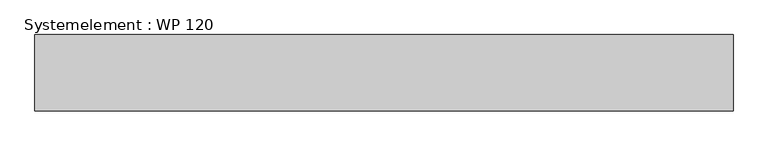
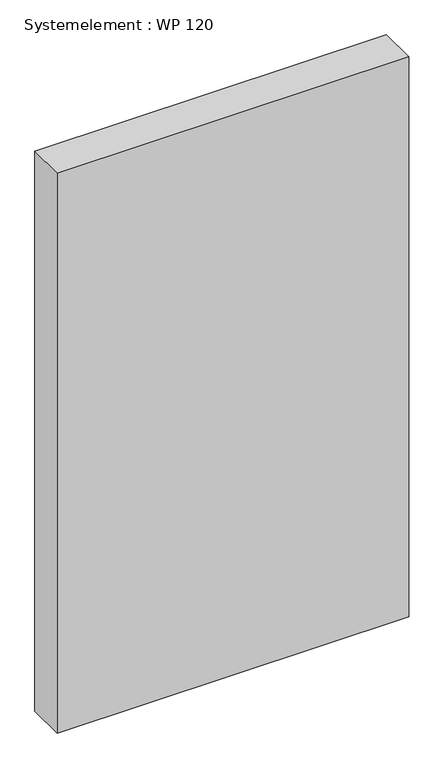
"""IFC4 building model written with IfcOpenShell, lengths in millimetres: plate geometry, Systemelement : WP 120."""

from ifc_helpers import new_model, si_unit, origin, origin_with_axes, place, context, project, spatial, polyline, outline, extrude, source, transform, mapped, element, save


def systemelement_wp_120_279c4a9a(model_context):
    return source(origin(), model_context, "Body", "SweptSolid", [
        extrude(outline(polyline([(550.0, -120.0), (-550.0, -120.0), (-550.0, 0.0), (550.0, 0.0), (550.0, -120.0)])), origin_with_axes(), (0.0, 0.0, 1.0), 1851.6147161),
    ])


if __name__ == "__main__":
    model = new_model("IFC4")
    model_context = context("Model", 3, world=origin())
    ifc_project = project(units=[si_unit("LENGTHUNIT", "METRE", prefix="MILLI")], contexts=[model_context])
    site = spatial("IfcSite", under=ifc_project)
    building = spatial("IfcBuilding", under=site)
    placement = place(None, origin())
    systemelement_wp_120_shape = systemelement_wp_120_279c4a9a(model_context)
    element("IfcPlate", 1, ObjectType="Systemelement : WP 120", at=placement, inside=building, context=model_context, shape_type="MappedRepresentation", body=[
        mapped(systemelement_wp_120_shape, transform((0.0, 0.0, 0.0), x_axis=(1.0, 0.0, 0.0), y_axis=(0.0, 1.0, 0.0), z_axis=(0.0, 0.0, 1.0))),
    ])
    save(model, "model.ifc")
